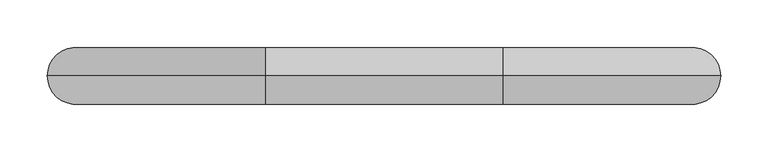
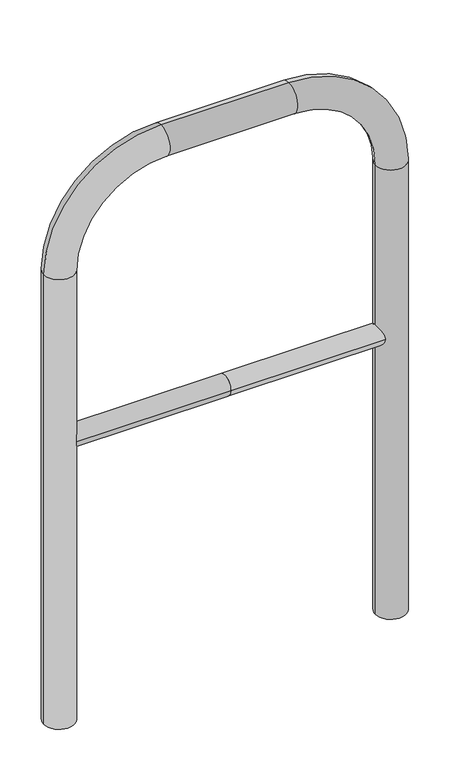
"""IFC4 building model written with IfcOpenShell, lengths in millimetres: proxy geometry."""

from ifc_helpers import new_model, si_unit, point, frame, frame_2d, origin, place, context, project, spatial, circle_curve, ellipse_curve, trimmed, segment, composite_curve, outline, extrude, source, transform, mapped, element, save
from ifc_brep_helpers import plane_surface, cylinder_surface, revolved_surface, advanced_brep


def generic_models_15b3543e(model_context):
    return source(origin(), model_context, "Body", "SolidModel", [
        extrude(outline(composite_curve([segment(trimmed(circle_curve(frame_2d((0.0, 498.4778375)), 20.0), [point((-20.0, 498.4778375))], [point((20.0, 498.4778375))], False, "CARTESIAN"), True, "CONTINUOUS"), segment(trimmed(circle_curve(frame_2d((0.0, 498.4778375)), 20.0), [point((20.0, 498.4778375))], [point((-20.0, 498.4778375))], False, "CARTESIAN"), True, "CONTINUOUS")], self_intersect=False)), frame((-325.0, 0.0, 0.0), z_axis=(1.0, 0.0, 0.0), x_axis=(0.0, 1.0, 0.0)), (0.0, 0.0, 1.0), 325.0),
        extrude(outline(composite_curve([segment(trimmed(circle_curve(frame_2d((0.0, 498.4778375)), 20.0), [point((-20.0, 498.4778375))], [point((20.0, 498.4778375))], False, "CARTESIAN"), True, "CONTINUOUS"), segment(trimmed(circle_curve(frame_2d((0.0, 498.4778375)), 20.0), [point((20.0, 498.4778375))], [point((-20.0, 498.4778375))], False, "CARTESIAN"), True, "CONTINUOUS")], self_intersect=False)), frame((0.0, 0.0, 0.0), z_axis=(1.0, 0.0, 0.0), x_axis=(0.0, 1.0, 0.0)), (0.0, 0.0, 1.0), 325.0),
        advanced_brep(
        [(-295.0, 0.0, -80.0), (-355.0, 0.0, -80.0), (-295.0, 0.0, 850.0), (-355.0, 0.0, 850.0), (-125.0, 0.0, 1080.0), (-125.0, 0.0, 1020.0), (125.0, 0.0, 1020.0), (125.0, 0.0, 1080.0), (355.0, 0.0, 850.0), (295.0, 0.0, 850.0), (295.0, 0.0, -80.0), (355.0, 0.0, -80.0)],
        [
            (0, 1, circle_curve(frame((-325.0, 0.0, -80.0), z_axis=(0.0, 0.0, -1.0), x_axis=(-1.0, 0.0, 0.0)), 30.0)),
            (1, 0, circle_curve(frame((-325.0, 0.0, -80.0), z_axis=(0.0, 0.0, -1.0), x_axis=(-1.0, 0.0, 0.0)), 30.0)),
            (0, 2),
            (2, 3, circle_curve(frame((-325.0, 0.0, 850.0), z_axis=(0.0, 0.0, -1.0), x_axis=(-1.0, 0.0, 0.0)), 30.0)),
            (3, 1),
            (3, 2, circle_curve(frame((-325.0, 0.0, 850.0), z_axis=(0.0, 0.0, -1.0), x_axis=(-1.0, 0.0, 0.0)), 30.0)),
            (4, 3, circle_curve(frame((-125.0, 0.0, 850.0), z_axis=(0.0, -1.0, 0.0), x_axis=(-1.0, 0.0, 0.0)), 230.0)),
            (2, 5, circle_curve(frame((-125.0, 0.0, 850.0), z_axis=(0.0, 1.0, 0.0), x_axis=(-1.0, 0.0, 0.0)), 170.0)),
            (5, 4, circle_curve(frame((-125.0, 0.0, 1050.0), z_axis=(-1.0, 0.0, 0.0), x_axis=(0.0, 0.0, 1.0)), 30.0)),
            (4, 5, circle_curve(frame((-125.0, 0.0, 1050.0), z_axis=(-1.0, 0.0, 0.0), x_axis=(0.0, 0.0, 1.0)), 30.0)),
            (5, 6),
            (6, 7, circle_curve(frame((125.0, 0.0, 1050.0), z_axis=(-1.0, 0.0, 0.0), x_axis=(0.0, 0.0, 1.0)), 30.0)),
            (7, 4),
            (7, 6, circle_curve(frame((125.0, 0.0, 1050.0), z_axis=(-1.0, 0.0, 0.0), x_axis=(0.0, 0.0, 1.0)), 30.0)),
            (8, 7, circle_curve(frame((125.0, 0.0, 850.0), z_axis=(0.0, -1.0, 0.0), x_axis=(0.0, 0.0, 1.0)), 230.0)),
            (6, 9, circle_curve(frame((125.0, 0.0, 850.0), z_axis=(0.0, 1.0, 0.0), x_axis=(0.0, 0.0, 1.0)), 170.0)),
            (9, 8, circle_curve(frame((325.0, 0.0, 850.0), z_axis=(0.0, 0.0, 1.0), x_axis=(1.0, 0.0, 0.0)), 30.0)),
            (8, 9, circle_curve(frame((325.0, 0.0, 850.0), z_axis=(0.0, 0.0, 1.0), x_axis=(1.0, 0.0, 0.0)), 30.0)),
            (10, 11, circle_curve(frame((325.0, 0.0, -80.0), z_axis=(0.0, 0.0, -1.0), x_axis=(1.0, 0.0, 0.0)), 30.0)),
            (11, 10, circle_curve(frame((325.0, 0.0, -80.0), z_axis=(0.0, 0.0, -1.0), x_axis=(1.0, 0.0, 0.0)), 30.0)),
            (9, 10),
            (11, 8),
        ],
        [
            plane_surface(frame((-325.0, 0.0, -80.0), z_axis=(0.0, 0.0, -1.0), x_axis=(0.0, -1.0, 0.0))),
            cylinder_surface(frame((-325.0, 0.0, -80.0), z_axis=(0.0, 0.0, -1.0), x_axis=(-1.0, 0.0, 0.0)), 30.0),
            revolved_surface(trimmed(ellipse_curve(frame((-325.0, 0.0, 850.0), z_axis=(0.0, 0.0, -1.0), x_axis=(-1.0, 0.0, 0.0)), 30.0, 30.0), [point((-295.0, 0.0, 850.0))], [point((-355.0, 0.0, 850.0))], True, "CARTESIAN"), (-125.0, 0.0, 850.0), (0.0, 1.0, 0.0)),
            revolved_surface(trimmed(ellipse_curve(frame((-325.0, 0.0, 850.0), z_axis=(0.0, 0.0, -1.0), x_axis=(-1.0, 0.0, 0.0)), 30.0, 30.0), [point((-355.0, 0.0, 850.0))], [point((-295.0, 0.0, 850.0))], True, "CARTESIAN"), (-125.0, 0.0, 850.0), (0.0, 1.0, 0.0)),
            cylinder_surface(frame((-125.0, 0.0, 1050.0), z_axis=(-1.0, 0.0, 0.0), x_axis=(0.0, 0.0, 1.0)), 30.0),
            revolved_surface(trimmed(ellipse_curve(frame((125.0, 0.0, 1050.0), z_axis=(-1.0, 0.0, 0.0), x_axis=(0.0, 0.0, 1.0)), 30.0, 30.0), [point((125.0, 0.0, 1020.0))], [point((125.0, 0.0, 1080.0))], True, "CARTESIAN"), (125.0, 0.0, 850.0), (0.0, 1.0, 0.0)),
            revolved_surface(trimmed(ellipse_curve(frame((125.0, 0.0, 1050.0), z_axis=(-1.0, 0.0, 0.0), x_axis=(0.0, 0.0, 1.0)), 30.0, 30.0), [point((125.0, 0.0, 1080.0))], [point((125.0, 0.0, 1020.0))], True, "CARTESIAN"), (125.0, 0.0, 850.0), (0.0, 1.0, 0.0)),
            plane_surface(frame((325.0, 0.0, -80.0), z_axis=(0.0, 0.0, -1.0), x_axis=(0.0, -1.0, 0.0))),
            cylinder_surface(frame((325.0, 0.0, 850.0), z_axis=(0.0, 0.0, 1.0), x_axis=(1.0, 0.0, 0.0)), 30.0),
        ],
        [
            (0, [[1, 2]]),
            (1, [[-1, 3, 4, 5]]),
            (1, [[-2, -5, 6, -3]]),
            (2, [[7, -4, 8, 9]]),
            (3, [[-8, -6, -7, 10]]),
            (4, [[-9, 11, 12, 13]]),
            (4, [[-10, -13, 14, -11]]),
            (5, [[15, -12, 16, 17]]),
            (6, [[-16, -14, -15, 18]]),
            (7, [[19, 20]]),
            (8, [[-17, 21, -20, 22]]),
            (8, [[-18, -22, -19, -21]]),
        ],
    ),
    ])


if __name__ == "__main__":
    model = new_model("IFC4")
    model_context = context("Model", 3, world=origin())
    ifc_project = project(units=[si_unit("LENGTHUNIT", "METRE", prefix="MILLI")], contexts=[model_context])
    site = spatial("IfcSite", under=ifc_project)
    building = spatial("IfcBuilding", under=site)
    placement = place(None, origin())
    generic_models_shape = generic_models_15b3543e(model_context)
    element("IfcBuildingElementProxy", 1, Name="Generic Models", at=placement, inside=building, context=model_context, shape_type="MappedRepresentation", body=[
        mapped(generic_models_shape, transform((0.0, 0.0, 0.0), x_axis=(1.0, 0.0, 0.0), y_axis=(0.0, 1.0, 0.0), z_axis=(0.0, 0.0, 1.0))),
    ])
    save(model, "model.ifc")
